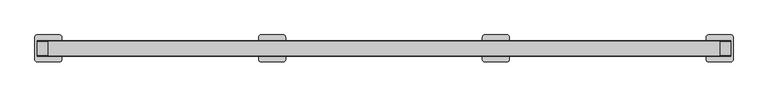
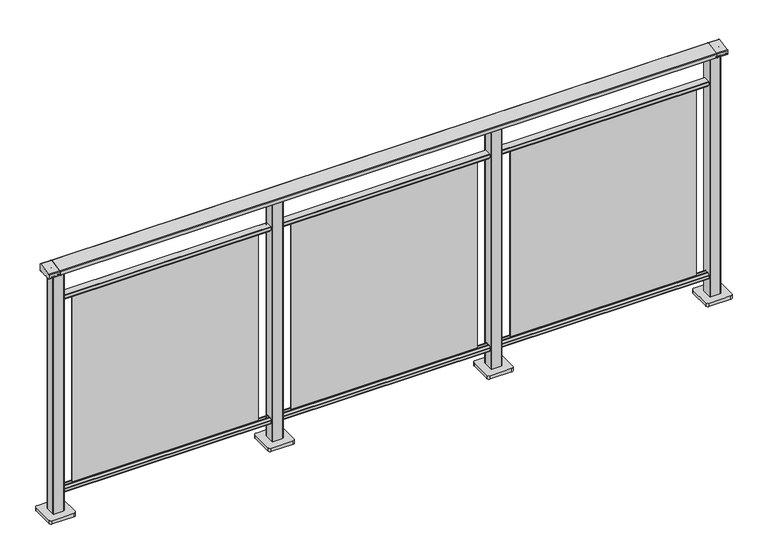
"""IFC4 building model written with IfcOpenShell, lengths in millimetres: railing geometry."""

from ifc_helpers import new_model, si_unit, point, frame, frame_2d, origin, origin_with_axes, place, context, project, spatial, polyline, circle_curve, trimmed, segment, composite_curve, outline, extrude, source, transform, mapped, element, save
from ifc_brep_helpers import plane_surface, cylinder_surface, advanced_brep


def railing_73d21180(model_context):
    return source(origin(), model_context, "Body", "SolidModel", [
        extrude(outline(composite_curve([segment(trimmed(circle_curve(frame_2d((10327.8594975, 1197.0)), 3.0), [point((10327.338553, 1199.9544233))], [point((10330.8594975, 1197.0))], False, "CARTESIAN"), True, "CONTINUOUS"), segment(polyline([(10330.8594975, 1197.0), (10330.8594975, 1169.2)]), True, "CONTINUOUS"), segment(trimmed(circle_curve(frame_2d((10327.8594975, 1169.2)), 3.0), [point((10330.8594975, 1169.2))], [point((10327.8594975, 1166.2))], False, "CARTESIAN"), True, "CONTINUOUS"), segment(polyline([(10327.8594975, 1166.2), (10304.1783618, 1166.2)]), True, "CONTINUOUS"), segment(trimmed(circle_curve(frame_2d((10295.851515, 1183.2818957)), 19.003356), [point((10304.1783618, 1166.2))], [point((10287.5246681, 1166.2))], False, "CARTESIAN"), True, "CONTINUOUS"), segment(polyline([(10287.5246681, 1166.2), (10263.8594975, 1166.2)]), True, "CONTINUOUS"), segment(trimmed(circle_curve(frame_2d((10263.8594975, 1169.2)), 3.0), [point((10263.8594975, 1166.2))], [point((10260.8594975, 1169.2))], False, "CARTESIAN"), True, "CONTINUOUS"), segment(polyline([(10260.8594975, 1169.2), (10260.8594975, 1185.7150732)]), True, "CONTINUOUS"), segment(trimmed(circle_curve(frame_2d((10263.8594975, 1185.7150732)), 3.0), [point((10260.8594975, 1185.7150732))], [point((10263.338553, 1188.6694965))], False, "CARTESIAN"), True, "CONTINUOUS"), segment(polyline([(10263.338553, 1188.6694965), (10327.338553, 1199.9544233)]), True, "CONTINUOUS")], self_intersect=False)), frame((3681.3946925, 0.0, 0.0), z_axis=(1.0, 0.0, 0.0), x_axis=(0.0, 1.0, 0.0)), (0.0, 0.0, 1.0), 3000.0),
        extrude(outline(composite_curve([segment(trimmed(circle_curve(frame_2d((10280.1507946, 101.8)), 1.8), [point((10280.1507946, 100.0))], [point((10278.3507946, 101.8))], False, "CARTESIAN"), True, "CONTINUOUS"), segment(polyline([(10278.3507946, 101.8), (10278.3507946, 115.5269955)]), True, "CONTINUOUS"), segment(trimmed(circle_curve(frame_2d((10280.1507946, 115.5269955)), 1.8), [point((10278.3507946, 115.5269955))], [point((10278.7923377, 116.7079252))], False, "CARTESIAN"), True, "CONTINUOUS"), segment(polyline([(10278.7923377, 116.7079252), (10285.4626112, 124.3809297)]), True, "CONTINUOUS"), segment(trimmed(circle_curve(frame_2d((10286.8210681, 123.2)), 1.8), [point((10285.4626112, 124.3809297))], [point((10286.8210681, 125.0))], False, "CARTESIAN"), True, "CONTINUOUS"), segment(polyline([(10286.8210681, 125.0), (10290.5111103, 125.0), (10291.809167, 113.0), (10299.8924651, 113.0), (10301.1904968, 125.0), (10304.880515, 125.0)]), True, "CONTINUOUS"), segment(trimmed(circle_curve(frame_2d((10304.880515, 123.2)), 1.8), [point((10304.880515, 125.0))], [point((10306.2389697, 124.3809322))], False, "CARTESIAN"), True, "CONTINUOUS"), segment(polyline([(10306.2389697, 124.3809322), (10312.9092682, 116.7079277)]), True, "CONTINUOUS"), segment(trimmed(circle_curve(frame_2d((10311.5508136, 115.5269955)), 1.8), [point((10312.9092682, 116.7079277))], [point((10313.3508136, 115.5269955))], False, "CARTESIAN"), True, "CONTINUOUS"), segment(polyline([(10313.3508136, 115.5269955), (10313.3508136, 101.8)]), True, "CONTINUOUS"), segment(trimmed(circle_curve(frame_2d((10311.5508136, 101.8)), 1.8), [point((10313.3508136, 101.8))], [point((10311.5508136, 100.0))], False, "CARTESIAN"), True, "CONTINUOUS"), segment(polyline([(10311.5508136, 100.0), (10280.1507946, 100.0)]), True, "CONTINUOUS")], self_intersect=False)), frame((3681.3946925, 0.0, 0.0), z_axis=(1.0, 0.0, 0.0), x_axis=(0.0, 1.0, 0.0)), (0.0, 0.0, 1.0), 3000.0),
        extrude(outline(composite_curve([segment(trimmed(circle_curve(frame_2d((10311.5508136, 1048.2)), 1.8), [point((10311.5508136, 1050.0))], [point((10313.3508136, 1048.2))], False, "CARTESIAN"), True, "CONTINUOUS"), segment(polyline([(10313.3508136, 1048.2), (10313.3508136, 1034.4730045)]), True, "CONTINUOUS"), segment(trimmed(circle_curve(frame_2d((10311.5508136, 1034.4730045)), 1.8), [point((10313.3508136, 1034.4730045))], [point((10312.9092682, 1033.2920723))], False, "CARTESIAN"), True, "CONTINUOUS"), segment(polyline([(10312.9092682, 1033.2920723), (10306.2389697, 1025.6190678)]), True, "CONTINUOUS"), segment(trimmed(circle_curve(frame_2d((10304.880515, 1026.8)), 1.8), [point((10306.2389697, 1025.6190678))], [point((10304.880515, 1025.0))], False, "CARTESIAN"), True, "CONTINUOUS"), segment(polyline([(10304.880515, 1025.0), (10301.1904968, 1025.0), (10299.8924651, 1037.0), (10291.809167, 1037.0), (10290.5111103, 1025.0), (10286.8210681, 1025.0)]), True, "CONTINUOUS"), segment(trimmed(circle_curve(frame_2d((10286.8210681, 1026.8)), 1.8), [point((10286.8210681, 1025.0))], [point((10285.4626112, 1025.6190703))], False, "CARTESIAN"), True, "CONTINUOUS"), segment(polyline([(10285.4626112, 1025.6190703), (10278.7923377, 1033.2920748)]), True, "CONTINUOUS"), segment(trimmed(circle_curve(frame_2d((10280.1507946, 1034.4730045)), 1.8), [point((10278.7923377, 1033.2920748))], [point((10278.3507946, 1034.4730045))], False, "CARTESIAN"), True, "CONTINUOUS"), segment(polyline([(10278.3507946, 1034.4730045), (10278.3507946, 1048.2)]), True, "CONTINUOUS"), segment(trimmed(circle_curve(frame_2d((10280.1507946, 1048.2)), 1.8), [point((10278.3507946, 1048.2))], [point((10280.1507946, 1050.0))], False, "CARTESIAN"), True, "CONTINUOUS"), segment(polyline([(10280.1507946, 1050.0), (10311.5508136, 1050.0)]), True, "CONTINUOUS")], self_intersect=False)), frame((3681.3946925, 0.0, 0.0), z_axis=(1.0, 0.0, 0.0), x_axis=(0.0, 1.0, 0.0)), (0.0, 0.0, 1.0), 3000.0),
        extrude(outline(polyline([(5756.3946925, 10293.8508041), (5756.3946925, 10297.8508041), (6606.3946925, 10297.8508041), (6606.3946925, 10293.8508041), (5756.3946925, 10293.8508041)])), frame((0.0, 0.0, 125.0), z_axis=(0.0, 0.0, 1.0), x_axis=(1.0, 0.0, 0.0)), (0.0, 0.0, 1.0), 900.0),
        extrude(outline(composite_curve([segment(polyline([(5655.994681, 10273.4507816), (5655.994681, 10318.2508046)]), True, "CONTINUOUS"), segment(trimmed(circle_curve(frame_2d((5658.994681, 10318.2508046)), 3.0), [point((5655.994681, 10318.2508046))], [point((5658.994681, 10321.2508046))], False, "CARTESIAN"), True, "CONTINUOUS"), segment(polyline([(5658.994681, 10321.2508046), (5703.794704, 10321.2508046)]), True, "CONTINUOUS"), segment(trimmed(circle_curve(frame_2d((5703.794704, 10318.2508046)), 3.0), [point((5703.794704, 10321.2508046))], [point((5706.794704, 10318.2508046))], False, "CARTESIAN"), True, "CONTINUOUS"), segment(polyline([(5706.794704, 10318.2508046), (5706.794704, 10273.4507816)]), True, "CONTINUOUS"), segment(trimmed(circle_curve(frame_2d((5703.794704, 10273.4507816)), 3.0), [point((5706.794704, 10273.4507816))], [point((5703.794704, 10270.4507816))], False, "CARTESIAN"), True, "CONTINUOUS"), segment(polyline([(5703.794704, 10270.4507816), (5658.994681, 10270.4507816)]), True, "CONTINUOUS"), segment(trimmed(circle_curve(frame_2d((5658.994681, 10273.4507816)), 3.0), [point((5658.994681, 10270.4507816))], [point((5655.994681, 10273.4507816))], False, "CARTESIAN"), True, "CONTINUOUS")], self_intersect=False)), frame((0.0, 0.0, 16.0), z_axis=(0.0, 0.0, 1.0), x_axis=(1.0, 0.0, 0.0)), (0.0, 0.0, 1.0), 1148.2785397),
        extrude(outline(composite_curve([segment(polyline([(5621.394681, 10245.8507931), (5621.394681, 10345.8507931)]), True, "CONTINUOUS"), segment(trimmed(circle_curve(frame_2d((5631.394681, 10345.8507931)), 10.0), [point((5621.394681, 10345.8507931))], [point((5631.394681, 10355.8507931))], False, "CARTESIAN"), True, "CONTINUOUS"), segment(polyline([(5631.394681, 10355.8507931), (5731.394681, 10355.8507931)]), True, "CONTINUOUS"), segment(trimmed(circle_curve(frame_2d((5731.394681, 10345.8507931)), 10.0), [point((5731.394681, 10355.8507931))], [point((5741.394681, 10345.8507931))], False, "CARTESIAN"), True, "CONTINUOUS"), segment(polyline([(5741.394681, 10345.8507931), (5741.394681, 10245.8507931)]), True, "CONTINUOUS"), segment(trimmed(circle_curve(frame_2d((5731.394681, 10245.8507931)), 10.0), [point((5741.394681, 10245.8507931))], [point((5731.394681, 10235.8507931))], False, "CARTESIAN"), True, "CONTINUOUS"), segment(polyline([(5731.394681, 10235.8507931), (5631.394681, 10235.8507931)]), True, "CONTINUOUS"), segment(trimmed(circle_curve(frame_2d((5631.394681, 10245.8507931)), 10.0), [point((5631.394681, 10235.8507931))], [point((5621.394681, 10245.8507931))], False, "CARTESIAN"), True, "CONTINUOUS")], self_intersect=False)), origin_with_axes(), (0.0, 0.0, 1.0), 16.0),
        extrude(outline(polyline([(4756.3946925, 10293.8508041), (4756.3946925, 10297.8508041), (5606.3946925, 10297.8508041), (5606.3946925, 10293.8508041), (4756.3946925, 10293.8508041)])), frame((0.0, 0.0, 125.0), z_axis=(0.0, 0.0, 1.0), x_axis=(1.0, 0.0, 0.0)), (0.0, 0.0, 1.0), 900.0),
        extrude(outline(composite_curve([segment(polyline([(4655.994681, 10273.4507816), (4655.994681, 10318.2508046)]), True, "CONTINUOUS"), segment(trimmed(circle_curve(frame_2d((4658.994681, 10318.2508046)), 3.0), [point((4655.994681, 10318.2508046))], [point((4658.994681, 10321.2508046))], False, "CARTESIAN"), True, "CONTINUOUS"), segment(polyline([(4658.994681, 10321.2508046), (4703.794704, 10321.2508046)]), True, "CONTINUOUS"), segment(trimmed(circle_curve(frame_2d((4703.794704, 10318.2508046)), 3.0), [point((4703.794704, 10321.2508046))], [point((4706.794704, 10318.2508046))], False, "CARTESIAN"), True, "CONTINUOUS"), segment(polyline([(4706.794704, 10318.2508046), (4706.794704, 10273.4507816)]), True, "CONTINUOUS"), segment(trimmed(circle_curve(frame_2d((4703.794704, 10273.4507816)), 3.0), [point((4706.794704, 10273.4507816))], [point((4703.794704, 10270.4507816))], False, "CARTESIAN"), True, "CONTINUOUS"), segment(polyline([(4703.794704, 10270.4507816), (4658.994681, 10270.4507816)]), True, "CONTINUOUS"), segment(trimmed(circle_curve(frame_2d((4658.994681, 10273.4507816)), 3.0), [point((4658.994681, 10270.4507816))], [point((4655.994681, 10273.4507816))], False, "CARTESIAN"), True, "CONTINUOUS")], self_intersect=False)), frame((0.0, 0.0, 16.0), z_axis=(0.0, 0.0, 1.0), x_axis=(1.0, 0.0, 0.0)), (0.0, 0.0, 1.0), 1148.2785397),
        extrude(outline(composite_curve([segment(polyline([(4621.394681, 10245.8507931), (4621.394681, 10345.8507931)]), True, "CONTINUOUS"), segment(trimmed(circle_curve(frame_2d((4631.394681, 10345.8507931)), 10.0), [point((4621.394681, 10345.8507931))], [point((4631.394681, 10355.8507931))], False, "CARTESIAN"), True, "CONTINUOUS"), segment(polyline([(4631.394681, 10355.8507931), (4731.394681, 10355.8507931)]), True, "CONTINUOUS"), segment(trimmed(circle_curve(frame_2d((4731.394681, 10345.8507931)), 10.0), [point((4731.394681, 10355.8507931))], [point((4741.394681, 10345.8507931))], False, "CARTESIAN"), True, "CONTINUOUS"), segment(polyline([(4741.394681, 10345.8507931), (4741.394681, 10245.8507931)]), True, "CONTINUOUS"), segment(trimmed(circle_curve(frame_2d((4731.394681, 10245.8507931)), 10.0), [point((4741.394681, 10245.8507931))], [point((4731.394681, 10235.8507931))], False, "CARTESIAN"), True, "CONTINUOUS"), segment(polyline([(4731.394681, 10235.8507931), (4631.394681, 10235.8507931)]), True, "CONTINUOUS"), segment(trimmed(circle_curve(frame_2d((4631.394681, 10245.8507931)), 10.0), [point((4631.394681, 10235.8507931))], [point((4621.394681, 10245.8507931))], False, "CARTESIAN"), True, "CONTINUOUS")], self_intersect=False)), origin_with_axes(), (0.0, 0.0, 1.0), 16.0),
        extrude(outline(polyline([(3756.3946925, 10293.8508041), (3756.3946925, 10297.8508041), (4606.3946925, 10297.8508041), (4606.3946925, 10293.8508041), (3756.3946925, 10293.8508041)])), frame((0.0, 0.0, 125.0), z_axis=(0.0, 0.0, 1.0), x_axis=(1.0, 0.0, 0.0)), (0.0, 0.0, 1.0), 900.0),
        extrude(outline(composite_curve([segment(polyline([(6655.994681, 10273.4507816), (6655.994681, 10318.2508046)]), True, "CONTINUOUS"), segment(trimmed(circle_curve(frame_2d((6658.994681, 10318.2508046)), 3.0), [point((6655.994681, 10318.2508046))], [point((6658.994681, 10321.2508046))], False, "CARTESIAN"), True, "CONTINUOUS"), segment(polyline([(6658.994681, 10321.2508046), (6703.794704, 10321.2508046)]), True, "CONTINUOUS"), segment(trimmed(circle_curve(frame_2d((6703.794704, 10318.2508046)), 3.0), [point((6703.794704, 10321.2508046))], [point((6706.794704, 10318.2508046))], False, "CARTESIAN"), True, "CONTINUOUS"), segment(polyline([(6706.794704, 10318.2508046), (6706.794704, 10273.4507816)]), True, "CONTINUOUS"), segment(trimmed(circle_curve(frame_2d((6703.794704, 10273.4507816)), 3.0), [point((6706.794704, 10273.4507816))], [point((6703.794704, 10270.4507816))], False, "CARTESIAN"), True, "CONTINUOUS"), segment(polyline([(6703.794704, 10270.4507816), (6658.994681, 10270.4507816)]), True, "CONTINUOUS"), segment(trimmed(circle_curve(frame_2d((6658.994681, 10273.4507816)), 3.0), [point((6658.994681, 10270.4507816))], [point((6655.994681, 10273.4507816))], False, "CARTESIAN"), True, "CONTINUOUS")], self_intersect=False)), frame((0.0, 0.0, 16.0), z_axis=(0.0, 0.0, 1.0), x_axis=(1.0, 0.0, 0.0)), (0.0, 0.0, 1.0), 1148.2785397),
        extrude(outline(composite_curve([segment(polyline([(6621.394681, 10245.8507931), (6621.394681, 10345.8507931)]), True, "CONTINUOUS"), segment(trimmed(circle_curve(frame_2d((6631.394681, 10345.8507931)), 10.0), [point((6621.394681, 10345.8507931))], [point((6631.394681, 10355.8507931))], False, "CARTESIAN"), True, "CONTINUOUS"), segment(polyline([(6631.394681, 10355.8507931), (6731.394681, 10355.8507931)]), True, "CONTINUOUS"), segment(trimmed(circle_curve(frame_2d((6731.394681, 10345.8507931)), 10.0), [point((6731.394681, 10355.8507931))], [point((6741.394681, 10345.8507931))], False, "CARTESIAN"), True, "CONTINUOUS"), segment(polyline([(6741.394681, 10345.8507931), (6741.394681, 10245.8507931)]), True, "CONTINUOUS"), segment(trimmed(circle_curve(frame_2d((6731.394681, 10245.8507931)), 10.0), [point((6741.394681, 10245.8507931))], [point((6731.394681, 10235.8507931))], False, "CARTESIAN"), True, "CONTINUOUS"), segment(polyline([(6731.394681, 10235.8507931), (6631.394681, 10235.8507931)]), True, "CONTINUOUS"), segment(trimmed(circle_curve(frame_2d((6631.394681, 10245.8507931)), 10.0), [point((6631.394681, 10235.8507931))], [point((6621.394681, 10245.8507931))], False, "CARTESIAN"), True, "CONTINUOUS")], self_intersect=False)), origin_with_axes(), (0.0, 0.0, 1.0), 16.0),
        advanced_brep(
        [(6731.3946925, 10327.338553, 1199.9544233), (6731.3946925, 10263.338553, 1188.6694965), (6731.3946925, 10260.8594975, 1185.7150732), (6731.3946925, 10260.8594975, 1169.2), (6731.3946925, 10263.8594975, 1166.2), (6731.3946925, 10268.6766494, 1166.2), (6731.3946925, 10269.6055852, 1166.9000033), (6731.3946925, 10270.1055852, 1166.4000003), (6731.3946925, 10288.2660875, 1166.4000003), (6731.3946925, 10288.859963, 1165.6114192), (6731.3946925, 10302.8396379, 1165.6106384), (6731.3946925, 10303.4355206, 1166.4000003), (6731.3946925, 10321.5455028, 1166.4000003), (6731.3946925, 10322.1185784, 1166.9730759), (6731.3946925, 10323.0095836, 1166.2), (6731.3946925, 10327.8594975, 1166.2), (6731.3946925, 10330.8594975, 1169.2), (6731.3946925, 10330.8594975, 1197.0), (6681.3946925, 10327.338553, 1199.9544233), (6681.3946925, 10330.8594975, 1197.0), (6681.3946925, 10330.8594975, 1169.2), (6681.3946925, 10327.8594975, 1166.2), (6681.3946925, 10323.0095836, 1166.2), (6681.3946925, 10322.1185784, 1166.9730759), (6681.3946925, 10321.5455028, 1166.4000003), (6681.3946925, 10303.4355206, 1166.4000003), (6681.3946925, 10302.8430669, 1165.6114192), (6681.3946925, 10288.8599685, 1165.6114328), (6681.3946925, 10288.2660875, 1166.4000003), (6681.3946925, 10270.1055852, 1166.4000003), (6681.3946925, 10269.6055852, 1166.9000033), (6681.3946925, 10268.6766494, 1166.2), (6681.3946925, 10263.8594975, 1166.2), (6681.3946925, 10260.8594975, 1169.2), (6681.3946925, 10260.8594975, 1185.7150732), (6681.3946925, 10263.338553, 1188.6694965)],
        [
            (0, 1),
            (1, 2, circle_curve(frame((6731.3946925, 10263.8594975, 1185.7150732), z_axis=(1.0, 0.0, 0.0), x_axis=(0.0, -1.0, 0.0)), 3.0)),
            (2, 3),
            (3, 4, circle_curve(frame((6731.3946925, 10263.8594975, 1169.2), z_axis=(1.0, 0.0, 0.0), x_axis=(0.0, 0.0, -1.0)), 3.0)),
            (4, 5),
            (5, 6, circle_curve(frame((6731.3946925, 10268.6943877, 1167.1428319), z_axis=(1.0, 0.0, 0.0), x_axis=(0.0, 1.0, 0.0)), 0.9429987)),
            (6, 7, circle_curve(frame((6731.3946925, 10270.1055852, 1166.9000003), z_axis=(1.0, 0.0, 0.0), x_axis=(0.0, 0.0, -1.0)), 0.5)),
            (7, 8),
            (8, 9, circle_curve(frame((6731.3946925, 10289.2114065, 1166.4940192), z_axis=(1.0, 0.0, 0.0), x_axis=(0.0, -1.0, 0.0)), 0.9499829)),
            (9, 10, circle_curve(frame((6731.3946925, 10295.851515, 1183.2818957), z_axis=(1.0, 0.0, 0.0), x_axis=(0.0, 1.0, 0.0)), 19.003356)),
            (10, 11, circle_curve(frame((6731.3946925, 10302.4902016, 1166.4940192), z_axis=(1.0, 0.0, 0.0), x_axis=(0.0, 1.0, 0.0)), 0.9499829)),
            (11, 12),
            (12, 13, circle_curve(frame((6731.3946925, 10321.5455028, 1166.9730759), z_axis=(1.0, 0.0, 0.0), x_axis=(0.0, 1.0, 0.0)), 0.5730756)),
            (13, 14, circle_curve(frame((6731.3946925, 10323.0095836, 1167.1), z_axis=(1.0, 0.0, 0.0), x_axis=(0.0, 0.0, -1.0)), 0.9)),
            (14, 15),
            (15, 16, circle_curve(frame((6731.3946925, 10327.8594975, 1169.2), z_axis=(1.0, 0.0, 0.0), x_axis=(0.0, 1.0, 0.0)), 3.0)),
            (16, 17),
            (17, 0, circle_curve(frame((6731.3946925, 10327.8594975, 1197.0), z_axis=(1.0, 0.0, 0.0), x_axis=(0.0, -0.1736481776670499, 0.984807753012187)), 3.0)),
            (18, 19, circle_curve(frame((6681.3946925, 10327.8594975, 1197.0), z_axis=(-1.0, 0.0, 0.0), x_axis=(0.0, -0.1736481776670499, 0.984807753012187)), 3.0)),
            (19, 20),
            (20, 21, circle_curve(frame((6681.3946925, 10327.8594975, 1169.2), z_axis=(-1.0, 0.0, 0.0), x_axis=(0.0, 1.0, 0.0)), 3.0)),
            (21, 22),
            (22, 23, circle_curve(frame((6681.3946925, 10323.0095836, 1167.1), z_axis=(-1.0, 0.0, 0.0), x_axis=(0.0, 0.0, -1.0)), 0.9)),
            (23, 24, circle_curve(frame((6681.3946925, 10321.5455028, 1166.9730759), z_axis=(-1.0, 0.0, 0.0), x_axis=(0.0, 1.0, 0.0)), 0.5730756)),
            (24, 25),
            (25, 26, circle_curve(frame((6681.3946925, 10302.4902016, 1166.4940192), z_axis=(-1.0, 0.0, 0.0), x_axis=(0.0, 1.0, 0.0)), 0.9499829)),
            (26, 27, circle_curve(frame((6681.3946925, 10295.851515, 1183.2818957), z_axis=(-1.0, 0.0, 0.0), x_axis=(0.0, 1.0, 0.0)), 19.003356)),
            (27, 28, circle_curve(frame((6681.3946925, 10289.2114065, 1166.4940192), z_axis=(-1.0, 0.0, 0.0), x_axis=(0.0, -1.0, 0.0)), 0.9499829)),
            (28, 29),
            (29, 30, circle_curve(frame((6681.3946925, 10270.1055852, 1166.9000003), z_axis=(-1.0, 0.0, 0.0), x_axis=(0.0, 0.0, -1.0)), 0.5)),
            (30, 31, circle_curve(frame((6681.3946925, 10268.6943877, 1167.1428319), z_axis=(-1.0, 0.0, 0.0), x_axis=(0.0, 1.0, 0.0)), 0.9429987)),
            (31, 32),
            (32, 33, circle_curve(frame((6681.3946925, 10263.8594975, 1169.2), z_axis=(-1.0, 0.0, 0.0), x_axis=(0.0, 0.0, -1.0)), 3.0)),
            (33, 34),
            (34, 35, circle_curve(frame((6681.3946925, 10263.8594975, 1185.7150732), z_axis=(-1.0, 0.0, 0.0), x_axis=(0.0, -1.0, 0.0)), 3.0)),
            (35, 18),
            (17, 19),
            (18, 0),
            (16, 20),
            (15, 21),
            (14, 22),
            (13, 23),
            (12, 24),
            (11, 25),
            (10, 26),
            (9, 27),
            (8, 28),
            (7, 29),
            (6, 30),
            (5, 31),
            (4, 32),
            (3, 33),
            (2, 34),
            (1, 35),
        ],
        [
            plane_surface(frame((6731.3946925, 10295.8508041, 1168.2356773), z_axis=(1.0, 0.0, 0.0), x_axis=(0.0, -1.0, 0.0))),
            plane_surface(frame((6681.3946925, 10295.8508041, 1168.2356773), z_axis=(-1.0, 0.0, 0.0), x_axis=(0.0, -1.0, 0.0))),
            cylinder_surface(frame((6731.3946925, 10327.8594975, 1197.0), z_axis=(1.0000000000000002, 0.0, 0.0), x_axis=(0.0, -0.1736481776670499, 0.984807753012187)), 3.0),
            plane_surface(frame((6731.3946925, 10330.8594975, 1197.0), z_axis=(0.0, 1.0, 0.0), x_axis=(-1.0, 0.0, 0.0))),
            cylinder_surface(frame((6731.3946925, 10327.8594975, 1169.2), z_axis=(1.0, 0.0, 0.0), x_axis=(0.0, 1.0, 0.0)), 3.0),
            plane_surface(frame((6731.3946925, 10327.8594975, 1166.2), z_axis=(0.0, 0.0, -1.0), x_axis=(-1.0, 0.0, 0.0))),
            cylinder_surface(frame((6731.3946925, 10323.0095836, 1167.1), z_axis=(1.0, 0.0, 0.0), x_axis=(0.0, 0.0, -1.0)), 0.9),
            cylinder_surface(frame((6731.3946925, 10321.5455028, 1166.9730759), z_axis=(1.0, 0.0, 0.0), x_axis=(0.0, 1.0, 0.0)), 0.5730756),
            plane_surface(frame((6731.3946925, 10321.5455028, 1166.4000003), z_axis=(0.0, 0.0, -1.0), x_axis=(-1.0, 0.0, 0.0))),
            cylinder_surface(frame((6731.3946925, 10302.4902016, 1166.4940192), z_axis=(1.0, 0.0, 0.0), x_axis=(0.0, 1.0, 0.0)), 0.9499829),
            cylinder_surface(frame((6731.3946925, 10295.851515, 1183.2818957), z_axis=(1.0, 0.0, 0.0), x_axis=(0.0, 1.0, 0.0)), 19.003356),
            cylinder_surface(frame((6731.3946925, 10289.2114065, 1166.4940192), z_axis=(1.0, 0.0, 0.0), x_axis=(0.0, -1.0, 0.0)), 0.9499829),
            plane_surface(frame((6731.3946925, 10288.2660875, 1166.4000003), z_axis=(0.0, 0.0, -1.0), x_axis=(-1.0, 0.0, 0.0))),
            cylinder_surface(frame((6731.3946925, 10270.1055852, 1166.9000003), z_axis=(1.0, 0.0, 0.0), x_axis=(0.0, 0.0, -1.0)), 0.5),
            cylinder_surface(frame((6731.3946925, 10268.6943877, 1167.1428319), z_axis=(1.0, 0.0, 0.0), x_axis=(0.0, 1.0, 0.0)), 0.9429987),
            plane_surface(frame((6731.3946925, 10268.6766494, 1166.2), z_axis=(0.0, 0.0, -1.0), x_axis=(-1.0, 0.0, 0.0))),
            cylinder_surface(frame((6731.3946925, 10263.8594975, 1169.2), z_axis=(1.0, 0.0, 0.0), x_axis=(0.0, 0.0, -1.0)), 3.0),
            plane_surface(frame((6731.3946925, 10260.8594975, 1169.2), z_axis=(0.0, -1.0, 0.0), x_axis=(-1.0, 0.0, 0.0))),
            cylinder_surface(frame((6731.3946925, 10263.8594975, 1185.7150732), z_axis=(1.0, 0.0, 0.0), x_axis=(0.0, -1.0, 0.0)), 3.0),
            plane_surface(frame((6731.3946925, 10263.338553, 1188.6694965), z_axis=(0.0, -0.17364817766695742, 0.9848077530122034), x_axis=(-1.0, 0.0, 0.0))),
        ],
        [
            (0, [[1, 2, 3, 4, 5, 6, 7, 8, 9, 10, 11, 12, 13, 14, 15, 16, 17, 18]]),
            (1, [[19, 20, 21, 22, 23, 24, 25, 26, 27, 28, 29, 30, 31, 32, 33, 34, 35, 36]]),
            (2, [[37, -19, 38, -18]]),
            (3, [[39, -20, -37, -17]]),
            (4, [[40, -21, -39, -16]]),
            (5, [[41, -22, -40, -15]]),
            (6, [[42, -23, -41, -14]]),
            (7, [[43, -24, -42, -13]]),
            (8, [[44, -25, -43, -12]]),
            (9, [[45, -26, -44, -11]]),
            (10, [[46, -27, -45, -10]]),
            (11, [[47, -28, -46, -9]]),
            (12, [[48, -29, -47, -8]]),
            (13, [[49, -30, -48, -7]]),
            (14, [[50, -31, -49, -6]]),
            (15, [[51, -32, -50, -5]]),
            (16, [[52, -33, -51, -4]]),
            (17, [[53, -34, -52, -3]]),
            (18, [[54, -35, -53, -2]]),
            (19, [[-38, -36, -54, -1]]),
        ],
    ),
        extrude(outline(composite_curve([segment(polyline([(3655.994681, 10273.4507816), (3655.994681, 10318.2508046)]), True, "CONTINUOUS"), segment(trimmed(circle_curve(frame_2d((3658.994681, 10318.2508046)), 3.0), [point((3655.994681, 10318.2508046))], [point((3658.994681, 10321.2508046))], False, "CARTESIAN"), True, "CONTINUOUS"), segment(polyline([(3658.994681, 10321.2508046), (3703.794704, 10321.2508046)]), True, "CONTINUOUS"), segment(trimmed(circle_curve(frame_2d((3703.794704, 10318.2508046)), 3.0), [point((3703.794704, 10321.2508046))], [point((3706.794704, 10318.2508046))], False, "CARTESIAN"), True, "CONTINUOUS"), segment(polyline([(3706.794704, 10318.2508046), (3706.794704, 10273.4507816)]), True, "CONTINUOUS"), segment(trimmed(circle_curve(frame_2d((3703.794704, 10273.4507816)), 3.0), [point((3706.794704, 10273.4507816))], [point((3703.794704, 10270.4507816))], False, "CARTESIAN"), True, "CONTINUOUS"), segment(polyline([(3703.794704, 10270.4507816), (3658.994681, 10270.4507816)]), True, "CONTINUOUS"), segment(trimmed(circle_curve(frame_2d((3658.994681, 10273.4507816)), 3.0), [point((3658.994681, 10270.4507816))], [point((3655.994681, 10273.4507816))], False, "CARTESIAN"), True, "CONTINUOUS")], self_intersect=False)), frame((0.0, 0.0, 16.0), z_axis=(0.0, 0.0, 1.0), x_axis=(1.0, 0.0, 0.0)), (0.0, 0.0, 1.0), 1148.2785397),
        extrude(outline(composite_curve([segment(polyline([(3621.394681, 10245.8507931), (3621.394681, 10345.8507931)]), True, "CONTINUOUS"), segment(trimmed(circle_curve(frame_2d((3631.394681, 10345.8507931)), 10.0), [point((3621.394681, 10345.8507931))], [point((3631.394681, 10355.8507931))], False, "CARTESIAN"), True, "CONTINUOUS"), segment(polyline([(3631.394681, 10355.8507931), (3731.394681, 10355.8507931)]), True, "CONTINUOUS"), segment(trimmed(circle_curve(frame_2d((3731.394681, 10345.8507931)), 10.0), [point((3731.394681, 10355.8507931))], [point((3741.394681, 10345.8507931))], False, "CARTESIAN"), True, "CONTINUOUS"), segment(polyline([(3741.394681, 10345.8507931), (3741.394681, 10245.8507931)]), True, "CONTINUOUS"), segment(trimmed(circle_curve(frame_2d((3731.394681, 10245.8507931)), 10.0), [point((3741.394681, 10245.8507931))], [point((3731.394681, 10235.8507931))], False, "CARTESIAN"), True, "CONTINUOUS"), segment(polyline([(3731.394681, 10235.8507931), (3631.394681, 10235.8507931)]), True, "CONTINUOUS"), segment(trimmed(circle_curve(frame_2d((3631.394681, 10245.8507931)), 10.0), [point((3631.394681, 10235.8507931))], [point((3621.394681, 10245.8507931))], False, "CARTESIAN"), True, "CONTINUOUS")], self_intersect=False)), origin_with_axes(), (0.0, 0.0, 1.0), 16.0),
        advanced_brep(
        [(3681.3946925, 10327.338553, 1199.9544233), (3681.3946925, 10263.338553, 1188.6694965), (3681.3946925, 10260.8594975, 1185.7150732), (3681.3946925, 10260.8594975, 1169.2), (3681.3946925, 10263.8594975, 1166.2), (3681.3946925, 10268.6766494, 1166.2), (3681.3946925, 10269.6055852, 1166.9000033), (3681.3946925, 10270.1055852, 1166.4000003), (3681.3946925, 10288.2660875, 1166.4000003), (3681.3946925, 10288.859963, 1165.6114192), (3681.3946925, 10302.8396379, 1165.6106384), (3681.3946925, 10303.4355206, 1166.4000003), (3681.3946925, 10321.5455028, 1166.4000003), (3681.3946925, 10322.1185784, 1166.9730759), (3681.3946925, 10323.0095836, 1166.2), (3681.3946925, 10327.8594975, 1166.2), (3681.3946925, 10330.8594975, 1169.2), (3681.3946925, 10330.8594975, 1197.0), (3631.3946925, 10327.338553, 1199.9544233), (3631.3946925, 10330.8594975, 1197.0), (3631.3946925, 10330.8594975, 1169.2), (3631.3946925, 10327.8594975, 1166.2), (3631.3946925, 10323.0095836, 1166.2), (3631.3946925, 10322.1185784, 1166.9730759), (3631.3946925, 10321.5455028, 1166.4000003), (3631.3946925, 10303.4355206, 1166.4000003), (3631.3946925, 10302.8430669, 1165.6114192), (3631.3946925, 10288.8599685, 1165.6114328), (3631.3946925, 10288.2660875, 1166.4000003), (3631.3946925, 10270.1055852, 1166.4000003), (3631.3946925, 10269.6055852, 1166.9000033), (3631.3946925, 10268.6766494, 1166.2), (3631.3946925, 10263.8594975, 1166.2), (3631.3946925, 10260.8594975, 1169.2), (3631.3946925, 10260.8594975, 1185.7150732), (3631.3946925, 10263.338553, 1188.6694965)],
        [
            (0, 1),
            (1, 2, circle_curve(frame((3681.3946925, 10263.8594975, 1185.7150732), z_axis=(1.0, 0.0, 0.0), x_axis=(0.0, -1.0, 0.0)), 3.0)),
            (2, 3),
            (3, 4, circle_curve(frame((3681.3946925, 10263.8594975, 1169.2), z_axis=(1.0, 0.0, 0.0), x_axis=(0.0, 0.0, -1.0)), 3.0)),
            (4, 5),
            (5, 6, circle_curve(frame((3681.3946925, 10268.6943877, 1167.1428319), z_axis=(1.0, 0.0, 0.0), x_axis=(0.0, 1.0, 0.0)), 0.9429987)),
            (6, 7, circle_curve(frame((3681.3946925, 10270.1055852, 1166.9000003), z_axis=(1.0, 0.0, 0.0), x_axis=(0.0, 0.0, -1.0)), 0.5)),
            (7, 8),
            (8, 9, circle_curve(frame((3681.3946925, 10289.2114065, 1166.4940192), z_axis=(1.0, 0.0, 0.0), x_axis=(0.0, -1.0, 0.0)), 0.9499829)),
            (9, 10, circle_curve(frame((3681.3946925, 10295.851515, 1183.2818957), z_axis=(1.0, 0.0, 0.0), x_axis=(0.0, 1.0, 0.0)), 19.003356)),
            (10, 11, circle_curve(frame((3681.3946925, 10302.4902016, 1166.4940192), z_axis=(1.0, 0.0, 0.0), x_axis=(0.0, 1.0, 0.0)), 0.9499829)),
            (11, 12),
            (12, 13, circle_curve(frame((3681.3946925, 10321.5455028, 1166.9730759), z_axis=(1.0, 0.0, 0.0), x_axis=(0.0, 1.0, 0.0)), 0.5730756)),
            (13, 14, circle_curve(frame((3681.3946925, 10323.0095836, 1167.1), z_axis=(1.0, 0.0, 0.0), x_axis=(0.0, 0.0, -1.0)), 0.9)),
            (14, 15),
            (15, 16, circle_curve(frame((3681.3946925, 10327.8594975, 1169.2), z_axis=(1.0, 0.0, 0.0), x_axis=(0.0, 1.0, 0.0)), 3.0)),
            (16, 17),
            (17, 0, circle_curve(frame((3681.3946925, 10327.8594975, 1197.0), z_axis=(1.0, 0.0, 0.0), x_axis=(0.0, -0.1736481776670499, 0.984807753012187)), 3.0)),
            (18, 19, circle_curve(frame((3631.3946925, 10327.8594975, 1197.0), z_axis=(-1.0, 0.0, 0.0), x_axis=(0.0, -0.1736481776670499, 0.984807753012187)), 3.0)),
            (19, 20),
            (20, 21, circle_curve(frame((3631.3946925, 10327.8594975, 1169.2), z_axis=(-1.0, 0.0, 0.0), x_axis=(0.0, 1.0, 0.0)), 3.0)),
            (21, 22),
            (22, 23, circle_curve(frame((3631.3946925, 10323.0095836, 1167.1), z_axis=(-1.0, 0.0, 0.0), x_axis=(0.0, 0.0, -1.0)), 0.9)),
            (23, 24, circle_curve(frame((3631.3946925, 10321.5455028, 1166.9730759), z_axis=(-1.0, 0.0, 0.0), x_axis=(0.0, 1.0, 0.0)), 0.5730756)),
            (24, 25),
            (25, 26, circle_curve(frame((3631.3946925, 10302.4902016, 1166.4940192), z_axis=(-1.0, 0.0, 0.0), x_axis=(0.0, 1.0, 0.0)), 0.9499829)),
            (26, 27, circle_curve(frame((3631.3946925, 10295.851515, 1183.2818957), z_axis=(-1.0, 0.0, 0.0), x_axis=(0.0, 1.0, 0.0)), 19.003356)),
            (27, 28, circle_curve(frame((3631.3946925, 10289.2114065, 1166.4940192), z_axis=(-1.0, 0.0, 0.0), x_axis=(0.0, -1.0, 0.0)), 0.9499829)),
            (28, 29),
            (29, 30, circle_curve(frame((3631.3946925, 10270.1055852, 1166.9000003), z_axis=(-1.0, 0.0, 0.0), x_axis=(0.0, 0.0, -1.0)), 0.5)),
            (30, 31, circle_curve(frame((3631.3946925, 10268.6943877, 1167.1428319), z_axis=(-1.0, 0.0, 0.0), x_axis=(0.0, 1.0, 0.0)), 0.9429987)),
            (31, 32),
            (32, 33, circle_curve(frame((3631.3946925, 10263.8594975, 1169.2), z_axis=(-1.0, 0.0, 0.0), x_axis=(0.0, 0.0, -1.0)), 3.0)),
            (33, 34),
            (34, 35, circle_curve(frame((3631.3946925, 10263.8594975, 1185.7150732), z_axis=(-1.0, 0.0, 0.0), x_axis=(0.0, -1.0, 0.0)), 3.0)),
            (35, 18),
            (17, 19),
            (18, 0),
            (16, 20),
            (15, 21),
            (14, 22),
            (13, 23),
            (12, 24),
            (11, 25),
            (10, 26),
            (9, 27),
            (8, 28),
            (7, 29),
            (6, 30),
            (5, 31),
            (4, 32),
            (3, 33),
            (2, 34),
            (1, 35),
        ],
        [
            plane_surface(frame((3681.3946925, 10295.8508041, 1168.2356773), z_axis=(1.0, 0.0, 0.0), x_axis=(0.0, -1.0, 0.0))),
            plane_surface(frame((3631.3946925, 10295.8508041, 1168.2356773), z_axis=(-1.0, 0.0, 0.0), x_axis=(0.0, -1.0, 0.0))),
            cylinder_surface(frame((3681.3946925, 10327.8594975, 1197.0), z_axis=(1.0000000000000002, 0.0, 0.0), x_axis=(0.0, -0.1736481776670499, 0.984807753012187)), 3.0),
            plane_surface(frame((3681.3946925, 10330.8594975, 1197.0), z_axis=(0.0, 1.0, 0.0), x_axis=(-1.0, 0.0, 0.0))),
            cylinder_surface(frame((3681.3946925, 10327.8594975, 1169.2), z_axis=(1.0, 0.0, 0.0), x_axis=(0.0, 1.0, 0.0)), 3.0),
            plane_surface(frame((3681.3946925, 10327.8594975, 1166.2), z_axis=(0.0, 0.0, -1.0), x_axis=(-1.0, 0.0, 0.0))),
            cylinder_surface(frame((3681.3946925, 10323.0095836, 1167.1), z_axis=(1.0, 0.0, 0.0), x_axis=(0.0, 0.0, -1.0)), 0.9),
            cylinder_surface(frame((3681.3946925, 10321.5455028, 1166.9730759), z_axis=(1.0, 0.0, 0.0), x_axis=(0.0, 1.0, 0.0)), 0.5730756),
            plane_surface(frame((3681.3946925, 10321.5455028, 1166.4000003), z_axis=(0.0, 0.0, -1.0), x_axis=(-1.0, 0.0, 0.0))),
            cylinder_surface(frame((3681.3946925, 10302.4902016, 1166.4940192), z_axis=(1.0, 0.0, 0.0), x_axis=(0.0, 1.0, 0.0)), 0.9499829),
            cylinder_surface(frame((3681.3946925, 10295.851515, 1183.2818957), z_axis=(1.0, 0.0, 0.0), x_axis=(0.0, 1.0, 0.0)), 19.003356),
            cylinder_surface(frame((3681.3946925, 10289.2114065, 1166.4940192), z_axis=(1.0, 0.0, 0.0), x_axis=(0.0, -1.0, 0.0)), 0.9499829),
            plane_surface(frame((3681.3946925, 10288.2660875, 1166.4000003), z_axis=(0.0, 0.0, -1.0), x_axis=(-1.0, 0.0, 0.0))),
            cylinder_surface(frame((3681.3946925, 10270.1055852, 1166.9000003), z_axis=(1.0, 0.0, 0.0), x_axis=(0.0, 0.0, -1.0)), 0.5),
            cylinder_surface(frame((3681.3946925, 10268.6943877, 1167.1428319), z_axis=(1.0, 0.0, 0.0), x_axis=(0.0, 1.0, 0.0)), 0.9429987),
            plane_surface(frame((3681.3946925, 10268.6766494, 1166.2), z_axis=(0.0, 0.0, -1.0), x_axis=(-1.0, 0.0, 0.0))),
            cylinder_surface(frame((3681.3946925, 10263.8594975, 1169.2), z_axis=(1.0, 0.0, 0.0), x_axis=(0.0, 0.0, -1.0)), 3.0),
            plane_surface(frame((3681.3946925, 10260.8594975, 1169.2), z_axis=(0.0, -1.0, 0.0), x_axis=(-1.0, 0.0, 0.0))),
            cylinder_surface(frame((3681.3946925, 10263.8594975, 1185.7150732), z_axis=(1.0, 0.0, 0.0), x_axis=(0.0, -1.0, 0.0)), 3.0),
            plane_surface(frame((3681.3946925, 10263.338553, 1188.6694965), z_axis=(0.0, -0.17364817766695742, 0.9848077530122034), x_axis=(-1.0, 0.0, 0.0))),
        ],
        [
            (0, [[1, 2, 3, 4, 5, 6, 7, 8, 9, 10, 11, 12, 13, 14, 15, 16, 17, 18]]),
            (1, [[19, 20, 21, 22, 23, 24, 25, 26, 27, 28, 29, 30, 31, 32, 33, 34, 35, 36]]),
            (2, [[37, -19, 38, -18]]),
            (3, [[39, -20, -37, -17]]),
            (4, [[40, -21, -39, -16]]),
            (5, [[41, -22, -40, -15]]),
            (6, [[42, -23, -41, -14]]),
            (7, [[43, -24, -42, -13]]),
            (8, [[44, -25, -43, -12]]),
            (9, [[45, -26, -44, -11]]),
            (10, [[46, -27, -45, -10]]),
            (11, [[47, -28, -46, -9]]),
            (12, [[48, -29, -47, -8]]),
            (13, [[49, -30, -48, -7]]),
            (14, [[50, -31, -49, -6]]),
            (15, [[51, -32, -50, -5]]),
            (16, [[52, -33, -51, -4]]),
            (17, [[53, -34, -52, -3]]),
            (18, [[54, -35, -53, -2]]),
            (19, [[-38, -36, -54, -1]]),
        ],
    ),
    ])


if __name__ == "__main__":
    model = new_model("IFC4")
    model_context = context("Model", 3, world=origin())
    ifc_project = project(units=[si_unit("LENGTHUNIT", "METRE", prefix="MILLI")], contexts=[model_context])
    site = spatial("IfcSite", under=ifc_project)
    building = spatial("IfcBuilding", under=site)
    placement = place(None, origin())
    railing_shape = railing_73d21180(model_context)
    element("IfcRailing", 1, at=placement, inside=building, context=model_context, shape_type="MappedRepresentation", body=[
        mapped(railing_shape, transform((0.0, 0.0, 0.0), x_axis=(1.0, 0.0, 0.0), y_axis=(0.0, 1.0, 0.0), z_axis=(0.0, 0.0, 1.0))),
    ])
    save(model, "model.ifc")
